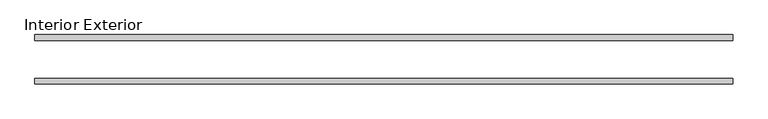
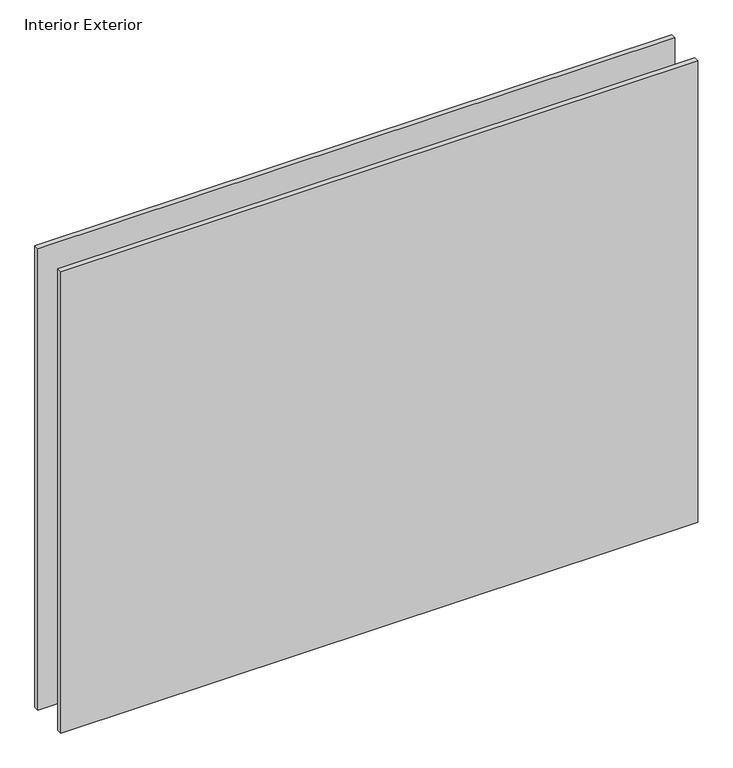
"""IFC4 building model written with IfcOpenShell, lengths in millimetres: plate geometry, Interior Exterior."""

import ifcopenshell
import ifcopenshell.guid

model = None  # the IFC model being written
_history = None  # IfcOwnerHistory: only IFC2X3 demands one
_inside = {}  # id of a spatial element -> (the spatial element, [elements in it])
_under = {}  # id of a project, library or spatial element -> (it, [spatial elements below it])
_declared = {}  # id of a project -> (the project, [libraries it declares])
_typed = {}  # id of a type object -> (the type object, [elements of that type])
_made_of = {}  # id of a material, layer set ... -> (it, [elements and type objects made of it])


def new_model(schema):
    """Start an empty IFC model of exactly this schema.

    Asked for "IFC4X3", IfcOpenShell would pick the latest addendum, in which some entities
    have other attributes; the version numbers below select the first issue.
    IFC2X3 requires an IfcOwnerHistory on every rooted entity: one is made here for all.
    """
    global model, _history
    if schema == "IFC4X3":
        model = ifcopenshell.file(schema_version=(4, 3, 0, 0))
    else:
        model = ifcopenshell.file(schema=schema)
    _inside.clear()
    _under.clear()
    _declared.clear()
    _typed.clear()
    _made_of.clear()
    _history = None
    if model.schema == "IFC2X3":
        org = make("IfcOrganization", Name="unknown")
        user = make(
            "IfcPersonAndOrganization",
            ThePerson=make("IfcPerson", FamilyName="unknown"),
            TheOrganization=org,
        )
        app = make(
            "IfcApplication",
            ApplicationDeveloper=org,
            Version="unknown",
            ApplicationFullName="unknown",
            ApplicationIdentifier="unknown",
        )
        _history = make(
            "IfcOwnerHistory",
            OwningUser=user,
            OwningApplication=app,
            ChangeAction="ADDED",
            CreationDate=0,
        )
    return model


def make(cls, **values):
    """One entity of the class cls with the attributes given. An attribute that is None is left unset."""
    return model.create_entity(
        cls, **{name: value for name, value in values.items() if value is not None}
    )


def rooted(cls, **values):
    """An entity with a GlobalId (a new one), such as an element, a storey or a relation."""
    return make(cls, GlobalId=ifcopenshell.guid.new(), OwnerHistory=_history, **values)


def si_unit(unit_type, name, prefix=None):
    """IfcSIUnit, for example si_unit("LENGTHUNIT", "METRE", prefix="MILLI")."""
    return make("IfcSIUnit", UnitType=unit_type, Prefix=prefix, Name=name)


def assignment(units):
    """IfcUnitAssignment: the units of a project."""
    return None if units is None else make("IfcUnitAssignment", Units=units)


def point(xyz):
    """IfcCartesianPoint."""
    return None if xyz is None else make("IfcCartesianPoint", Coordinates=xyz)


def direction(xyz):
    """IfcDirection."""
    return None if xyz is None else make("IfcDirection", DirectionRatios=xyz)


def frame(location, z_axis=None, x_axis=None):
    """IfcAxis2Placement3D, a coordinate frame: its origin and axes. An axis left out is left unset."""
    return make(
        "IfcAxis2Placement3D",
        Location=point(location),
        Axis=direction(z_axis),
        RefDirection=direction(x_axis),
    )


def origin():
    """The frame at (0, 0, 0) with its axes left unset."""
    return frame((0.0, 0.0, 0.0))


def place(relative_to, where):
    """IfcLocalPlacement: puts the frame where relative to a parent placement (None: the world)."""
    return make(
        "IfcLocalPlacement", PlacementRelTo=relative_to, RelativePlacement=where
    )


def context(
    kind, dimensions, precision=None, world=None, true_north=None, identifier=None
):
    """IfcGeometricRepresentationContext, for example the 3D "Model" context."""
    return make(
        "IfcGeometricRepresentationContext",
        ContextIdentifier=identifier,
        ContextType=kind,
        CoordinateSpaceDimension=dimensions,
        Precision=precision,
        WorldCoordinateSystem=world,
        TrueNorth=true_north,
    )


def project(units=None, contexts=None):
    """IfcProject with its units and contexts."""
    return rooted(
        "IfcProject",
        Name="project",
        RepresentationContexts=contexts,
        UnitsInContext=assignment(units),
    )


def spatial(cls, under=None, at=None, **own):
    """A site, building, storey or space (cls), placed at a placement, below another one or the project."""
    s = rooted(cls, ObjectPlacement=at, **own)
    if under is not None:
        _under.setdefault(under.id(), (under, []))[1].append(s)
    return s


def polyline(points):
    """IfcPolyline through the points."""
    return make("IfcPolyline", Points=[point(p) for p in points])


def outline(outer, holes=None, kind="AREA"):
    """IfcArbitraryClosedProfileDef: a profile drawn as a closed curve; with holes, ...WithVoids."""
    if holes is None:
        return make("IfcArbitraryClosedProfileDef", ProfileType=kind, OuterCurve=outer)
    return make(
        "IfcArbitraryProfileDefWithVoids",
        ProfileType=kind,
        OuterCurve=outer,
        InnerCurves=holes,
    )


def extrude(swept, where, along, depth):
    """IfcExtrudedAreaSolid: the profile swept, set in the frame where, extruded along a direction by depth."""
    return make(
        "IfcExtrudedAreaSolid",
        SweptArea=swept,
        Position=where,
        ExtrudedDirection=direction(along),
        Depth=depth,
    )


def shape(context_of_items, identifier, shape_type, items):
    """IfcShapeRepresentation: the items that make up one representation, for example the "Body"."""
    return make(
        "IfcShapeRepresentation",
        ContextOfItems=context_of_items,
        RepresentationIdentifier=identifier,
        RepresentationType=shape_type,
        Items=items,
    )


def source(mapping_origin, context_of_items, identifier, shape_type, items):
    """IfcRepresentationMap: a shape defined once, which mapped items show again and again."""
    return make(
        "IfcRepresentationMap",
        MappingOrigin=mapping_origin,
        MappedRepresentation=shape(context_of_items, identifier, shape_type, items),
    )


def transform(
    local_origin,
    x_axis=None,
    y_axis=None,
    z_axis=None,
    scale=None,
    scale2=None,
    scale3=None,
    uniform=True,
):
    """IfcCartesianTransformationOperator3D, or its non-uniform kind. x_axis, y_axis, z_axis: its Axis1, 2, 3."""
    if uniform:
        return make(
            "IfcCartesianTransformationOperator3D",
            Axis1=direction(x_axis),
            Axis2=direction(y_axis),
            LocalOrigin=point(local_origin),
            Scale=scale,
            Axis3=direction(z_axis),
        )
    return make(
        "IfcCartesianTransformationOperator3DnonUniform",
        Axis1=direction(x_axis),
        Axis2=direction(y_axis),
        LocalOrigin=point(local_origin),
        Scale=scale,
        Axis3=direction(z_axis),
        Scale2=scale2,
        Scale3=scale3,
    )


def mapped(mapping_source, mapping_target):
    """IfcMappedItem: shows the shape of a source again, moved by a transform."""
    return make(
        "IfcMappedItem", MappingSource=mapping_source, MappingTarget=mapping_target
    )


def made_of(thing, what):
    """Note that an element or type object is made of a material, layer set ...; save() writes the relation."""
    if what is not None:
        _made_of.setdefault(what.id(), (what, []))[1].append(thing)
    return thing


def element(
    cls,
    number,
    at=None,
    inside=None,
    cuts=None,
    type_object=None,
    material=None,
    context=None,
    identifier="Body",
    shape_type=None,
    held_by="IfcProductDefinitionShape",
    body=None,
    shapes=None,
    **own,
):
    """One element of the class cls, such as IfcWall. Its Tag is "e" and its number.

    at: its placement. inside: the storey or other place that contains it. cuts: it is an
    opening in that element (IfcRelVoidsElement). A single representation is given by context,
    identifier, shape_type and body (its items); several are given by shapes. held_by: the class
    of the entity that holds the representations. save() writes the other relations.
    """
    e = rooted(cls, Tag="e%d" % number, ObjectPlacement=at, **own)
    if body is not None:
        shapes = [shape(context, identifier, shape_type, body)]
    if shapes is not None:
        e.Representation = make(held_by, Representations=shapes)
    if inside is not None:
        _inside.setdefault(inside.id(), (inside, []))[1].append(e)
    if cuts is not None:
        rooted(
            "IfcRelVoidsElement", RelatingBuildingElement=cuts, RelatedOpeningElement=e
        )
    if type_object is not None:
        _typed.setdefault(type_object.id(), (type_object, []))[1].append(e)
    return made_of(e, material)


def aggregate(whole, parts):
    """IfcRelAggregates: a whole, such as a stair, and the parts it consists of."""
    return rooted("IfcRelAggregates", RelatingObject=whole, RelatedObjects=parts)


def save(model, path):
    """Write the relations noted so far, then the file.

    IfcRelAggregates (storeys below a building ...), IfcRelContainedInSpatialStructure (elements
    in a storey), IfcRelDefinesByType, IfcRelAssociatesMaterial and IfcRelDeclares: one each for
    every whole, place, type object, material and project.
    """
    for whole, parts in _under.values():
        aggregate(whole, parts)
    for where, things in _inside.values():
        rooted(
            "IfcRelContainedInSpatialStructure",
            RelatedElements=things,
            RelatingStructure=where,
        )
    for kind, things in _typed.values():
        rooted("IfcRelDefinesByType", RelatedObjects=things, RelatingType=kind)
    for what, things in _made_of.values():
        rooted("IfcRelAssociatesMaterial", RelatedObjects=things, RelatingMaterial=what)
    for by, libraries in _declared.values():
        rooted("IfcRelDeclares", RelatingContext=by, RelatedDefinitions=libraries)
    model.write(path)


def interior_exterior_df939e6d(model_context):
    return source(origin(), model_context, "Body", "SweptSolid", [
        extrude(outline(polyline([(592.1375, -41.275), (-576.2625, -41.275), (-576.2625, -31.75), (592.1375, -31.75), (592.1375, -41.275)])), frame((0.0, 0.0, -25.4), z_axis=(0.0, 0.0, 1.0), x_axis=(1.0, 0.0, 0.0)), (0.0, 0.0, 1.0), 894.8000008),
        extrude(outline(polyline([(592.1375, 41.275), (592.1375, 31.75), (-576.2625, 31.75), (-576.2625, 41.275), (592.1375, 41.275)])), frame((0.0, 0.0, -25.4), z_axis=(0.0, 0.0, 1.0), x_axis=(1.0, 0.0, 0.0)), (0.0, 0.0, 1.0), 894.8000008),
    ])


if __name__ == "__main__":
    model = new_model("IFC4")
    model_context = context("Model", 3, world=origin())
    ifc_project = project(units=[si_unit("LENGTHUNIT", "METRE", prefix="MILLI")], contexts=[model_context])
    site = spatial("IfcSite", under=ifc_project)
    building = spatial("IfcBuilding", under=site)
    placement = place(None, origin())
    interior_exterior_shape = interior_exterior_df939e6d(model_context)
    element("IfcPlate", 1, ObjectType="Interior Exterior", at=placement, inside=building, context=model_context, shape_type="MappedRepresentation", body=[
        mapped(interior_exterior_shape, transform((0.0, 0.0, 0.0), x_axis=(1.0, 0.0, 0.0), y_axis=(0.0, 1.0, 0.0), z_axis=(0.0, 0.0, 1.0))),
    ])
    save(model, "model.ifc")
